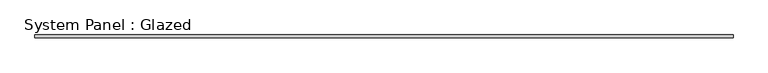
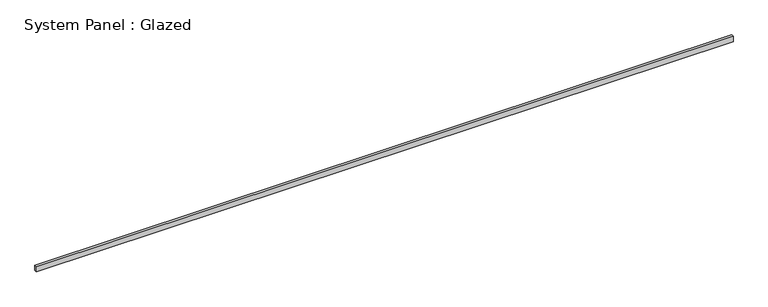
"""IFC4 building model written with IfcOpenShell, lengths in millimetres: plate geometry, System Panel : Glazed."""

from ifc_helpers import new_model, si_unit, origin, origin_with_axes, place, context, project, spatial, polyline, outline, extrude, source, transform, mapped, element, save


def system_panel_glazed_bf502de5(model_context):
    return source(origin(), model_context, "Body", "SweptSolid", [
        extrude(outline(polyline([(3220.8292416, 24.5), (-3220.8292416, 24.5), (-3220.8292416, 49.5), (3220.8292416, 49.5), (3220.8292416, 24.5)])), origin_with_axes(), (0.0, 0.0, 1.0), 50.0),
    ])


if __name__ == "__main__":
    model = new_model("IFC4")
    model_context = context("Model", 3, world=origin())
    ifc_project = project(units=[si_unit("LENGTHUNIT", "METRE", prefix="MILLI")], contexts=[model_context])
    site = spatial("IfcSite", under=ifc_project)
    building = spatial("IfcBuilding", under=site)
    placement = place(None, origin())
    system_panel_glazed_shape = system_panel_glazed_bf502de5(model_context)
    element("IfcPlate", 1, ObjectType="System Panel : Glazed", at=placement, inside=building, context=model_context, shape_type="MappedRepresentation", body=[
        mapped(system_panel_glazed_shape, transform((0.0, 0.0, 0.0), x_axis=(1.0, 0.0, 0.0), y_axis=(0.0, 1.0, 0.0), z_axis=(0.0, 0.0, 1.0))),
    ])
    save(model, "model.ifc")
